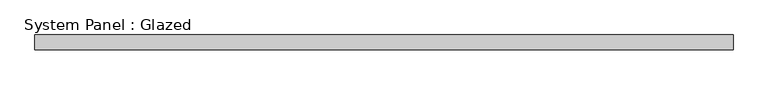
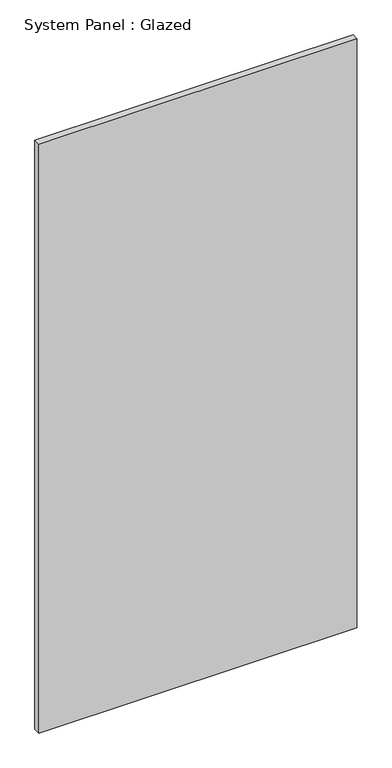
"""IFC4 building model written with IfcOpenShell, lengths in millimetres: plate geometry, System Panel : Glazed."""

from ifc_helpers import new_model, si_unit, origin, origin_with_axes, place, context, project, spatial, polyline, outline, extrude, source, transform, mapped, element, save


def system_panel_glazed_febcb34c(model_context):
    return source(origin(), model_context, "Body", "SweptSolid", [
        extrude(outline(polyline([(596.9, 19.05), (-596.9, 19.05), (-596.9, 44.45), (596.9, 44.45), (596.9, 19.05)])), origin_with_axes(), (0.0, 0.0, 1.0), 2336.8),
    ])


if __name__ == "__main__":
    model = new_model("IFC4")
    model_context = context("Model", 3, world=origin())
    ifc_project = project(units=[si_unit("LENGTHUNIT", "METRE", prefix="MILLI")], contexts=[model_context])
    site = spatial("IfcSite", under=ifc_project)
    building = spatial("IfcBuilding", under=site)
    placement = place(None, origin())
    system_panel_glazed_shape = system_panel_glazed_febcb34c(model_context)
    element("IfcPlate", 1, ObjectType="System Panel : Glazed", at=placement, inside=building, context=model_context, shape_type="MappedRepresentation", body=[
        mapped(system_panel_glazed_shape, transform((0.0, 0.0, 0.0), x_axis=(1.0, 0.0, 0.0), y_axis=(0.0, 1.0, 0.0), z_axis=(0.0, 0.0, 1.0))),
    ])
    save(model, "model.ifc")
